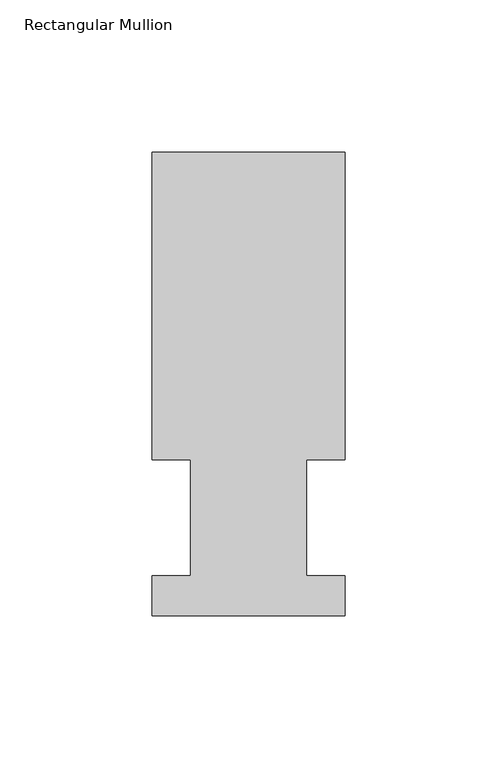
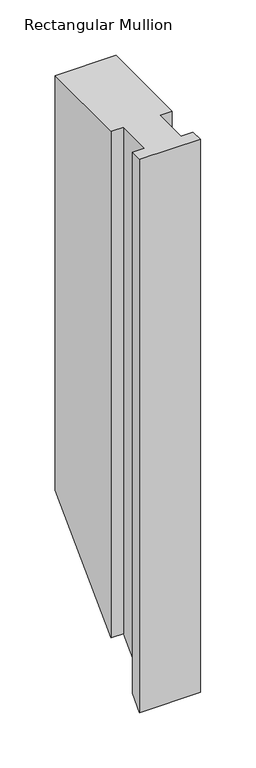
"""IFC4 building model written with IfcOpenShell, lengths in millimetres: member geometry, Rectangular Mullion."""

import ifcopenshell
import ifcopenshell.guid

model = None  # the IFC model being written
_history = None  # IfcOwnerHistory: only IFC2X3 demands one
_inside = {}  # id of a spatial element -> (the spatial element, [elements in it])
_under = {}  # id of a project, library or spatial element -> (it, [spatial elements below it])
_declared = {}  # id of a project -> (the project, [libraries it declares])
_typed = {}  # id of a type object -> (the type object, [elements of that type])
_made_of = {}  # id of a material, layer set ... -> (it, [elements and type objects made of it])


def new_model(schema):
    """Start an empty IFC model of exactly this schema.

    Asked for "IFC4X3", IfcOpenShell would pick the latest addendum, in which some entities
    have other attributes; the version numbers below select the first issue.
    IFC2X3 requires an IfcOwnerHistory on every rooted entity: one is made here for all.
    """
    global model, _history
    if schema == "IFC4X3":
        model = ifcopenshell.file(schema_version=(4, 3, 0, 0))
    else:
        model = ifcopenshell.file(schema=schema)
    _inside.clear()
    _under.clear()
    _declared.clear()
    _typed.clear()
    _made_of.clear()
    _history = None
    if model.schema == "IFC2X3":
        org = make("IfcOrganization", Name="unknown")
        user = make(
            "IfcPersonAndOrganization",
            ThePerson=make("IfcPerson", FamilyName="unknown"),
            TheOrganization=org,
        )
        app = make(
            "IfcApplication",
            ApplicationDeveloper=org,
            Version="unknown",
            ApplicationFullName="unknown",
            ApplicationIdentifier="unknown",
        )
        _history = make(
            "IfcOwnerHistory",
            OwningUser=user,
            OwningApplication=app,
            ChangeAction="ADDED",
            CreationDate=0,
        )
    return model


def make(cls, **values):
    """One entity of the class cls with the attributes given. An attribute that is None is left unset."""
    return model.create_entity(
        cls, **{name: value for name, value in values.items() if value is not None}
    )


def rooted(cls, **values):
    """An entity with a GlobalId (a new one), such as an element, a storey or a relation."""
    return make(cls, GlobalId=ifcopenshell.guid.new(), OwnerHistory=_history, **values)


def si_unit(unit_type, name, prefix=None):
    """IfcSIUnit, for example si_unit("LENGTHUNIT", "METRE", prefix="MILLI")."""
    return make("IfcSIUnit", UnitType=unit_type, Prefix=prefix, Name=name)


def assignment(units):
    """IfcUnitAssignment: the units of a project."""
    return None if units is None else make("IfcUnitAssignment", Units=units)


def point(xyz):
    """IfcCartesianPoint."""
    return None if xyz is None else make("IfcCartesianPoint", Coordinates=xyz)


def direction(xyz):
    """IfcDirection."""
    return None if xyz is None else make("IfcDirection", DirectionRatios=xyz)


def frame(location, z_axis=None, x_axis=None):
    """IfcAxis2Placement3D, a coordinate frame: its origin and axes. An axis left out is left unset."""
    return make(
        "IfcAxis2Placement3D",
        Location=point(location),
        Axis=direction(z_axis),
        RefDirection=direction(x_axis),
    )


def origin():
    """The frame at (0, 0, 0) with its axes left unset."""
    return frame((0.0, 0.0, 0.0))


def place(relative_to, where):
    """IfcLocalPlacement: puts the frame where relative to a parent placement (None: the world)."""
    return make(
        "IfcLocalPlacement", PlacementRelTo=relative_to, RelativePlacement=where
    )


def context(
    kind, dimensions, precision=None, world=None, true_north=None, identifier=None
):
    """IfcGeometricRepresentationContext, for example the 3D "Model" context."""
    return make(
        "IfcGeometricRepresentationContext",
        ContextIdentifier=identifier,
        ContextType=kind,
        CoordinateSpaceDimension=dimensions,
        Precision=precision,
        WorldCoordinateSystem=world,
        TrueNorth=true_north,
    )


def project(units=None, contexts=None):
    """IfcProject with its units and contexts."""
    return rooted(
        "IfcProject",
        Name="project",
        RepresentationContexts=contexts,
        UnitsInContext=assignment(units),
    )


def spatial(cls, under=None, at=None, **own):
    """A site, building, storey or space (cls), placed at a placement, below another one or the project."""
    s = rooted(cls, ObjectPlacement=at, **own)
    if under is not None:
        _under.setdefault(under.id(), (under, []))[1].append(s)
    return s


def faces_of(points, faces, orient=None, outer=None):
    """IfcFace entities. A face is a list of loops; a loop is a list of indices into points, from 0.

    orient and outer hold one flag for each loop. By default every Orientation is true, the
    first loop of a face is its IfcFaceOuterBound and the others are IfcFaceBound.
    """
    made = []
    for i, loops in enumerate(faces):
        bounds = []
        for j, loop in enumerate(loops):
            is_outer = j == 0 if outer is None else outer[i][j]
            bounds.append(
                make(
                    "IfcFaceOuterBound" if is_outer else "IfcFaceBound",
                    Bound=make("IfcPolyLoop", Polygon=[points[k] for k in loop]),
                    Orientation=True if orient is None else orient[i][j],
                )
            )
        made.append(make("IfcFace", Bounds=bounds))
    return made


def faceted_brep(points, faces, orient=None, outer=None, voids=None):
    """IfcFacetedBrep: a solid bounded by flat faces; with voids (closed shells), ...WithVoids."""
    shared = [point(p) for p in points]
    hull = make("IfcClosedShell", CfsFaces=faces_of(shared, faces, orient, outer))
    if voids is None:
        return make("IfcFacetedBrep", Outer=hull)
    return make(
        "IfcFacetedBrepWithVoids",
        Outer=hull,
        Voids=[
            make(cls, CfsFaces=faces_of(shared, fs, o, b)) for cls, fs, o, b in voids
        ],
    )


def shape(context_of_items, identifier, shape_type, items):
    """IfcShapeRepresentation: the items that make up one representation, for example the "Body"."""
    return make(
        "IfcShapeRepresentation",
        ContextOfItems=context_of_items,
        RepresentationIdentifier=identifier,
        RepresentationType=shape_type,
        Items=items,
    )


def source(mapping_origin, context_of_items, identifier, shape_type, items):
    """IfcRepresentationMap: a shape defined once, which mapped items show again and again."""
    return make(
        "IfcRepresentationMap",
        MappingOrigin=mapping_origin,
        MappedRepresentation=shape(context_of_items, identifier, shape_type, items),
    )


def transform(
    local_origin,
    x_axis=None,
    y_axis=None,
    z_axis=None,
    scale=None,
    scale2=None,
    scale3=None,
    uniform=True,
):
    """IfcCartesianTransformationOperator3D, or its non-uniform kind. x_axis, y_axis, z_axis: its Axis1, 2, 3."""
    if uniform:
        return make(
            "IfcCartesianTransformationOperator3D",
            Axis1=direction(x_axis),
            Axis2=direction(y_axis),
            LocalOrigin=point(local_origin),
            Scale=scale,
            Axis3=direction(z_axis),
        )
    return make(
        "IfcCartesianTransformationOperator3DnonUniform",
        Axis1=direction(x_axis),
        Axis2=direction(y_axis),
        LocalOrigin=point(local_origin),
        Scale=scale,
        Axis3=direction(z_axis),
        Scale2=scale2,
        Scale3=scale3,
    )


def mapped(mapping_source, mapping_target):
    """IfcMappedItem: shows the shape of a source again, moved by a transform."""
    return make(
        "IfcMappedItem", MappingSource=mapping_source, MappingTarget=mapping_target
    )


def made_of(thing, what):
    """Note that an element or type object is made of a material, layer set ...; save() writes the relation."""
    if what is not None:
        _made_of.setdefault(what.id(), (what, []))[1].append(thing)
    return thing


def element(
    cls,
    number,
    at=None,
    inside=None,
    cuts=None,
    type_object=None,
    material=None,
    context=None,
    identifier="Body",
    shape_type=None,
    held_by="IfcProductDefinitionShape",
    body=None,
    shapes=None,
    **own,
):
    """One element of the class cls, such as IfcWall. Its Tag is "e" and its number.

    at: its placement. inside: the storey or other place that contains it. cuts: it is an
    opening in that element (IfcRelVoidsElement). A single representation is given by context,
    identifier, shape_type and body (its items); several are given by shapes. held_by: the class
    of the entity that holds the representations. save() writes the other relations.
    """
    e = rooted(cls, Tag="e%d" % number, ObjectPlacement=at, **own)
    if body is not None:
        shapes = [shape(context, identifier, shape_type, body)]
    if shapes is not None:
        e.Representation = make(held_by, Representations=shapes)
    if inside is not None:
        _inside.setdefault(inside.id(), (inside, []))[1].append(e)
    if cuts is not None:
        rooted(
            "IfcRelVoidsElement", RelatingBuildingElement=cuts, RelatedOpeningElement=e
        )
    if type_object is not None:
        _typed.setdefault(type_object.id(), (type_object, []))[1].append(e)
    return made_of(e, material)


def aggregate(whole, parts):
    """IfcRelAggregates: a whole, such as a stair, and the parts it consists of."""
    return rooted("IfcRelAggregates", RelatingObject=whole, RelatedObjects=parts)


def save(model, path):
    """Write the relations noted so far, then the file.

    IfcRelAggregates (storeys below a building ...), IfcRelContainedInSpatialStructure (elements
    in a storey), IfcRelDefinesByType, IfcRelAssociatesMaterial and IfcRelDeclares: one each for
    every whole, place, type object, material and project.
    """
    for whole, parts in _under.values():
        aggregate(whole, parts)
    for where, things in _inside.values():
        rooted(
            "IfcRelContainedInSpatialStructure",
            RelatedElements=things,
            RelatingStructure=where,
        )
    for kind, things in _typed.values():
        rooted("IfcRelDefinesByType", RelatedObjects=things, RelatingType=kind)
    for what, things in _made_of.values():
        rooted("IfcRelAssociatesMaterial", RelatedObjects=things, RelatingMaterial=what)
    for by, libraries in _declared.values():
        rooted("IfcRelDeclares", RelatingContext=by, RelatedDefinitions=libraries)
    model.write(path)


def rectangular_mullion_1c71ebe6(model_context):
    return source(origin(), model_context, "Body", "Brep", [
        faceted_brep([(-63.5, 152.4896938, 0.0), (-63.510405, 51.2960938, 0.0), (-50.8104049, 51.2960937, 0.0), (-50.8143224, 13.1960938, 0.0), (-63.5143225, 13.1960938, 0.0), (-63.5156779, 0.0134946, 0.0), (-0.0156783, 0.0069653, 0.0), (-0.0143221, 13.1960938, 0.0), (-12.7016222, 13.1960938, 0.0), (-12.6977047, 51.2960938, 0.0), (-0.0104046, 51.2960937, 0.0), (-3e-07, 152.4831645, 0.0), (-63.5, 152.4896937, -457.1103063), (-63.510405, 51.2960937, -558.3039063), (-50.8104049, 51.2960937, -558.3039063), (-50.8143224, 13.1960938, -596.4039063), (-63.5143225, 13.1960938, -596.4039063), (-63.5156779, 0.0134946, -609.5865054), (-0.0156783, 0.0069653, -609.5930347), (-0.0143221, 13.1960938, -596.4039062), (-12.7016222, 13.1960938, -596.4039062), (-12.6977047, 51.2960937, -558.3039063), (-0.0104046, 51.2960937, -558.3039063), (-3e-07, 152.4831645, -457.1168355)], [[[0, 1, 2, 3, 4, 5, 6, 7, 8, 9, 10, 11]], [[1, 0, 12, 13]], [[2, 1, 13, 14]], [[3, 2, 14, 15]], [[4, 3, 15, 16]], [[5, 4, 16, 17]], [[6, 5, 17, 18]], [[7, 6, 18, 19]], [[8, 7, 19, 20]], [[9, 8, 20, 21]], [[10, 9, 21, 22]], [[11, 10, 22, 23]], [[0, 11, 23, 12]], [[12, 23, 22, 21, 20, 19, 18, 17, 16, 15, 14, 13]]]),
    ])


if __name__ == "__main__":
    model = new_model("IFC4")
    model_context = context("Model", 3, world=origin())
    ifc_project = project(units=[si_unit("LENGTHUNIT", "METRE", prefix="MILLI")], contexts=[model_context])
    site = spatial("IfcSite", under=ifc_project)
    building = spatial("IfcBuilding", under=site)
    placement = place(None, origin())
    rectangular_mullion_shape = rectangular_mullion_1c71ebe6(model_context)
    element("IfcMember", 1, ObjectType="Rectangular Mullion", at=placement, inside=building, context=model_context, shape_type="MappedRepresentation", body=[
        mapped(rectangular_mullion_shape, transform((0.0, 0.0, 0.0), x_axis=(1.0, 0.0, 0.0), y_axis=(0.0, 1.0, 0.0), z_axis=(0.0, 0.0, 1.0))),
    ])
    save(model, "model.ifc")
